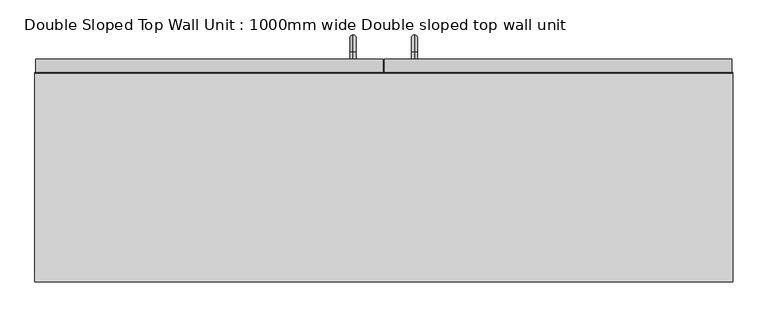
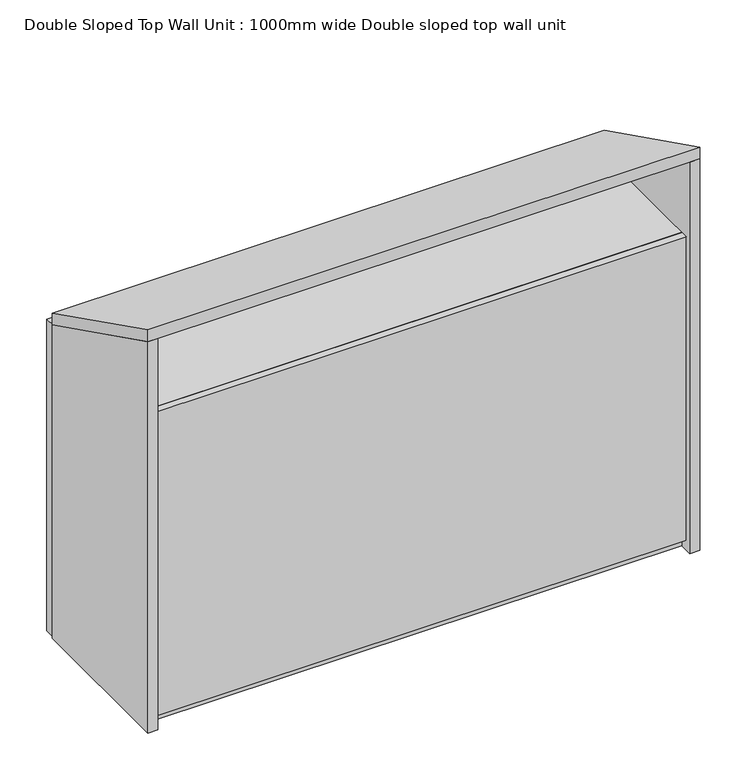
"""IFC4 building model written with IfcOpenShell, lengths in millimetres: furniture geometry, Double Sloped Top Wall Unit : 1000mm wide Double sloped top wall unit."""

from ifc_helpers import new_model, si_unit, point, frame, origin, place, context, project, spatial, polyline, circle_curve, ellipse_curve, trimmed, outline, extrude, source, transform, mapped, element, save
from ifc_brep_helpers import plane_surface, cylinder_surface, revolved_surface, advanced_brep


def double_sloped_top_wall_unit_1000mm_wide_double_sloped_top_3fca0109(model_context):
    return source(origin(), model_context, "Body", "SolidModel", [
        advanced_brep(
        [(41.0154021, 320.4, 1673.1697012), (41.0154021, 320.4, 1664.1697012), (41.0154021, 330.4, 1664.1697012), (41.0154021, 330.4, 1673.1697012), (41.0154021, 345.9, 1648.6697012), (41.0154021, 354.9, 1648.6697012), (41.0154021, 345.9, 1568.6697012), (41.0154021, 354.9, 1568.6697012), (41.0154021, 330.4, 1553.1697012), (41.0154021, 330.4, 1544.1697012), (41.0154021, 320.4, 1544.1697012), (41.0154021, 320.4, 1553.1697012)],
        [
            (0, 1, circle_curve(frame((41.0154021, 320.4, 1668.6697012), z_axis=(0.0, -1.0, 0.0), x_axis=(0.0, 0.0, -1.0)), 4.5)),
            (1, 0, circle_curve(frame((41.0154021, 320.4, 1668.6697012), z_axis=(0.0, -1.0, 0.0), x_axis=(0.0, 0.0, -1.0)), 4.5)),
            (1, 2),
            (2, 3, circle_curve(frame((41.0154021, 330.4, 1668.6697012), z_axis=(0.0, -1.0, 0.0), x_axis=(0.0, 0.0, -1.0)), 4.5)),
            (3, 0),
            (3, 2, circle_curve(frame((41.0154021, 330.4, 1668.6697012), z_axis=(0.0, -1.0, 0.0), x_axis=(0.0, 0.0, -1.0)), 4.5)),
            (4, 5, circle_curve(frame((41.0154021, 350.4, 1648.6697012), z_axis=(0.0, 0.0, 1.0), x_axis=(0.0, -1.0, 0.0)), 4.5)),
            (5, 3, circle_curve(frame((41.0154021, 330.4, 1648.6697012), z_axis=(1.0, 0.0, 0.0), x_axis=(0.0, 0.0, 1.0)), 24.5)),
            (2, 4, circle_curve(frame((41.0154021, 330.4, 1648.6697012), z_axis=(-1.0, 0.0, 0.0), x_axis=(0.0, 0.0, 1.0)), 15.5)),
            (5, 4, circle_curve(frame((41.0154021, 350.4, 1648.6697012), z_axis=(0.0, 0.0, 1.0), x_axis=(0.0, -1.0, 0.0)), 4.5)),
            (4, 6),
            (6, 7, circle_curve(frame((41.0154021, 350.4, 1568.6697012), z_axis=(0.0, 0.0, 1.0), x_axis=(0.0, -1.0, 0.0)), 4.5)),
            (7, 5),
            (7, 6, circle_curve(frame((41.0154021, 350.4, 1568.6697012), z_axis=(0.0, 0.0, 1.0), x_axis=(0.0, -1.0, 0.0)), 4.5)),
            (8, 9, circle_curve(frame((41.0154021, 330.4, 1548.6697012), z_axis=(0.0, 1.0, 0.0), x_axis=(0.0, 0.0, 1.0)), 4.5)),
            (9, 7, circle_curve(frame((41.0154021, 330.4, 1568.6697012), z_axis=(1.0, 0.0, 0.0), x_axis=(0.0, 1.0, 0.0)), 24.5)),
            (6, 8, circle_curve(frame((41.0154021, 330.4, 1568.6697012), z_axis=(-1.0, 0.0, 0.0), x_axis=(0.0, 1.0, 0.0)), 15.5)),
            (9, 8, circle_curve(frame((41.0154021, 330.4, 1548.6697012), z_axis=(0.0, 1.0, 0.0), x_axis=(0.0, 0.0, 1.0)), 4.5)),
            (10, 11, circle_curve(frame((41.0154021, 320.4, 1548.6697012), z_axis=(0.0, -1.0, 0.0), x_axis=(0.0, 0.0, 1.0)), 4.5)),
            (11, 10, circle_curve(frame((41.0154021, 320.4, 1548.6697012), z_axis=(0.0, -1.0, 0.0), x_axis=(0.0, 0.0, 1.0)), 4.5)),
            (8, 11),
            (10, 9),
        ],
        [
            plane_surface(frame((41.0154021, 320.4, 1668.6697012), z_axis=(0.0, -1.0, 0.0), x_axis=(1.0, 0.0, 0.0))),
            cylinder_surface(frame((41.0154021, 320.4, 1668.6697012), z_axis=(0.0, -1.0, 0.0), x_axis=(0.0, 0.0, -1.0)), 4.5),
            revolved_surface(trimmed(ellipse_curve(frame((41.0154021, 330.4, 1668.6697012), z_axis=(0.0, 1.0, 0.0), x_axis=(0.0, 0.0, -1.0)), 4.5, 4.5), [point((41.0154021, 330.4, 1673.1697012))], [point((41.0154021, 330.4, 1664.1697012))], True, "CARTESIAN"), (41.0154021, 330.4, 1648.6697012), (1.0, 0.0, 0.0)),
            revolved_surface(trimmed(ellipse_curve(frame((41.0154021, 330.4, 1668.6697012), z_axis=(0.0, 1.0, 0.0), x_axis=(0.0, 0.0, -1.0)), 4.5, 4.5), [point((41.0154021, 330.4, 1664.1697012))], [point((41.0154021, 330.4, 1673.1697012))], True, "CARTESIAN"), (41.0154021, 330.4, 1648.6697012), (1.0, 0.0, 0.0)),
            cylinder_surface(frame((41.0154021, 350.4, 1648.6697012), z_axis=(0.0, 0.0, 1.0), x_axis=(0.0, -1.0, 0.0)), 4.5),
            revolved_surface(trimmed(ellipse_curve(frame((41.0154021, 350.4, 1568.6697012), z_axis=(0.0, 0.0, -1.0), x_axis=(0.0, -1.0, 0.0)), 4.5, 4.5), [point((41.0154021, 354.9, 1568.6697012))], [point((41.0154021, 345.9, 1568.6697012))], True, "CARTESIAN"), (41.0154021, 330.4, 1568.6697012), (1.0, 0.0, 0.0)),
            revolved_surface(trimmed(ellipse_curve(frame((41.0154021, 350.4, 1568.6697012), z_axis=(0.0, 0.0, -1.0), x_axis=(0.0, -1.0, 0.0)), 4.5, 4.5), [point((41.0154021, 345.9, 1568.6697012))], [point((41.0154021, 354.9, 1568.6697012))], True, "CARTESIAN"), (41.0154021, 330.4, 1568.6697012), (1.0, 0.0, 0.0)),
            plane_surface(frame((41.0154021, 320.4, 1548.6697012), z_axis=(0.0, -1.0, 0.0), x_axis=(1.0, 0.0, 0.0))),
            cylinder_surface(frame((41.0154021, 330.4, 1548.6697012), z_axis=(0.0, 1.0, 0.0), x_axis=(0.0, 0.0, 1.0)), 4.5),
        ],
        [
            (0, [[1, 2]]),
            (1, [[3, 4, 5, -2]]),
            (1, [[-5, 6, -3, -1]]),
            (2, [[7, 8, -4, 9]]),
            (3, [[10, -9, -6, -8]]),
            (4, [[11, 12, 13, -7]]),
            (4, [[-13, 14, -11, -10]]),
            (5, [[15, 16, -12, 17]]),
            (6, [[18, -17, -14, -16]]),
            (7, [[19, 20]]),
            (8, [[21, -19, 22, -15]]),
            (8, [[-22, -20, -21, -18]]),
        ],
    ),
        advanced_brep(
        [(128.9845979, 320.4, 1673.1697012), (128.9845979, 320.4, 1664.1697012), (128.9845979, 330.4, 1673.1697012), (128.9845979, 330.4, 1664.1697012), (128.9845979, 345.9, 1648.6697012), (128.9845979, 354.9, 1648.6697012), (128.9845979, 354.9, 1568.6697012), (128.9845979, 345.9, 1568.6697012), (128.9845979, 330.4, 1553.1697012), (128.9845979, 330.4, 1544.1697012), (128.9845979, 320.4, 1544.1697012), (128.9845979, 320.4, 1553.1697012)],
        [
            (0, 1, circle_curve(frame((128.9845979, 320.4, 1668.6697012), z_axis=(0.0, -1.0, 0.0), x_axis=(0.0, 0.0, -1.0)), 4.5)),
            (1, 0, circle_curve(frame((128.9845979, 320.4, 1668.6697012), z_axis=(0.0, -1.0, 0.0), x_axis=(0.0, 0.0, -1.0)), 4.5)),
            (0, 2),
            (2, 3, circle_curve(frame((128.9845979, 330.4, 1668.6697012), z_axis=(0.0, -1.0, 0.0), x_axis=(0.0, 0.0, -1.0)), 4.5)),
            (3, 1),
            (3, 2, circle_curve(frame((128.9845979, 330.4, 1668.6697012), z_axis=(0.0, -1.0, 0.0), x_axis=(0.0, 0.0, -1.0)), 4.5)),
            (4, 3, circle_curve(frame((128.9845979, 330.4, 1648.6697012), z_axis=(1.0, 0.0, 0.0), x_axis=(0.0, 0.0, 1.0)), 15.5)),
            (2, 5, circle_curve(frame((128.9845979, 330.4, 1648.6697012), z_axis=(-1.0, 0.0, 0.0), x_axis=(0.0, 0.0, 1.0)), 24.5)),
            (5, 4, circle_curve(frame((128.9845979, 350.4, 1648.6697012), z_axis=(0.0, 0.0, 1.0), x_axis=(0.0, -1.0, 0.0)), 4.5)),
            (4, 5, circle_curve(frame((128.9845979, 350.4, 1648.6697012), z_axis=(0.0, 0.0, 1.0), x_axis=(0.0, -1.0, 0.0)), 4.5)),
            (5, 6),
            (6, 7, circle_curve(frame((128.9845979, 350.4, 1568.6697012), z_axis=(0.0, 0.0, 1.0), x_axis=(0.0, -1.0, 0.0)), 4.5)),
            (7, 4),
            (7, 6, circle_curve(frame((128.9845979, 350.4, 1568.6697012), z_axis=(0.0, 0.0, 1.0), x_axis=(0.0, -1.0, 0.0)), 4.5)),
            (8, 7, circle_curve(frame((128.9845979, 330.4, 1568.6697012), z_axis=(1.0, 0.0, 0.0), x_axis=(0.0, 1.0, 0.0)), 15.5)),
            (6, 9, circle_curve(frame((128.9845979, 330.4, 1568.6697012), z_axis=(-1.0, 0.0, 0.0), x_axis=(0.0, 1.0, 0.0)), 24.5)),
            (9, 8, circle_curve(frame((128.9845979, 330.4, 1548.6697012), z_axis=(0.0, 1.0, 0.0), x_axis=(0.0, 0.0, 1.0)), 4.5)),
            (8, 9, circle_curve(frame((128.9845979, 330.4, 1548.6697012), z_axis=(0.0, 1.0, 0.0), x_axis=(0.0, 0.0, 1.0)), 4.5)),
            (10, 11, circle_curve(frame((128.9845979, 320.4, 1548.6697012), z_axis=(0.0, -1.0, 0.0), x_axis=(0.0, 0.0, 1.0)), 4.5)),
            (11, 10, circle_curve(frame((128.9845979, 320.4, 1548.6697012), z_axis=(0.0, -1.0, 0.0), x_axis=(0.0, 0.0, 1.0)), 4.5)),
            (9, 10),
            (11, 8),
        ],
        [
            plane_surface(frame((128.9845979, 320.4, 1668.6697012), z_axis=(0.0, -1.0, 0.0), x_axis=(-1.0, 0.0, 0.0))),
            cylinder_surface(frame((128.9845979, 320.4, 1668.6697012), z_axis=(0.0, -1.0, 0.0), x_axis=(0.0, 0.0, -1.0)), 4.5),
            revolved_surface(trimmed(ellipse_curve(frame((128.9845979, 330.4, 1668.6697012), z_axis=(0.0, -1.0, 0.0), x_axis=(0.0, 0.0, -1.0)), 4.5, 4.5), [point((128.9845979, 330.4, 1673.1697012))], [point((128.9845979, 330.4, 1664.1697012))], True, "CARTESIAN"), (128.9845979, 330.4, 1648.6697012), (-1.0, 0.0, 0.0)),
            revolved_surface(trimmed(ellipse_curve(frame((128.9845979, 330.4, 1668.6697012), z_axis=(0.0, -1.0, 0.0), x_axis=(0.0, 0.0, -1.0)), 4.5, 4.5), [point((128.9845979, 330.4, 1664.1697012))], [point((128.9845979, 330.4, 1673.1697012))], True, "CARTESIAN"), (128.9845979, 330.4, 1648.6697012), (-1.0, 0.0, 0.0)),
            cylinder_surface(frame((128.9845979, 350.4, 1648.6697012), z_axis=(0.0, 0.0, 1.0), x_axis=(0.0, -1.0, 0.0)), 4.5),
            revolved_surface(trimmed(ellipse_curve(frame((128.9845979, 350.4, 1568.6697012), z_axis=(0.0, 0.0, 1.0), x_axis=(0.0, -1.0, 0.0)), 4.5, 4.5), [point((128.9845979, 354.9, 1568.6697012))], [point((128.9845979, 345.9, 1568.6697012))], True, "CARTESIAN"), (128.9845979, 330.4, 1568.6697012), (-1.0, 0.0, 0.0)),
            revolved_surface(trimmed(ellipse_curve(frame((128.9845979, 350.4, 1568.6697012), z_axis=(0.0, 0.0, 1.0), x_axis=(0.0, -1.0, 0.0)), 4.5, 4.5), [point((128.9845979, 345.9, 1568.6697012))], [point((128.9845979, 354.9, 1568.6697012))], True, "CARTESIAN"), (128.9845979, 330.4, 1568.6697012), (-1.0, 0.0, 0.0)),
            plane_surface(frame((128.9845979, 320.4, 1548.6697012), z_axis=(0.0, -1.0, 0.0), x_axis=(-1.0, 0.0, 0.0))),
            cylinder_surface(frame((128.9845979, 330.4, 1548.6697012), z_axis=(0.0, 1.0, 0.0), x_axis=(0.0, 0.0, 1.0)), 4.5),
        ],
        [
            (0, [[1, 2]]),
            (1, [[-1, 3, 4, 5]]),
            (1, [[-2, -5, 6, -3]]),
            (2, [[7, -4, 8, 9]]),
            (3, [[-8, -6, -7, 10]]),
            (4, [[-9, 11, 12, 13]]),
            (4, [[-10, -13, 14, -11]]),
            (5, [[15, -12, 16, 17]]),
            (6, [[-16, -14, -15, 18]]),
            (7, [[19, 20]]),
            (8, [[-17, 21, -20, 22]]),
            (8, [[-18, -22, -19, -21]]),
        ],
    ),
        extrude(outline(polyline([(583.47, 320.4), (583.47, 300.4), (86.0, 300.4), (86.0, 320.4), (583.47, 320.4)])), frame((0.0, 0.0, 1501.5), z_axis=(0.0, 0.0, 1.0), x_axis=(1.0, 0.0, 0.0)), (0.0, 0.0, 1.0), 597.0),
        extrude(outline(polyline([(-413.5, 320.4), (84.0, 320.4), (84.0, 300.4), (-413.5, 300.4), (-413.5, 320.4)])), frame((0.0, 0.0, 1501.5), z_axis=(0.0, 0.0, 1.0), x_axis=(1.0, 0.0, 0.0)), (0.0, 0.0, 1.0), 597.0),
        extrude(outline(polyline([(567.0, 25.4), (-397.0, 25.4), (-397.0, 300.4), (567.0, 300.4), (567.0, 25.4)])), frame((0.0, 0.0, 1500.0), z_axis=(0.0, 0.0, 1.0), x_axis=(1.0, 0.0, 0.0)), (0.0, 0.0, 1.0), 18.0),
        extrude(outline(polyline([(567.0, 25.4), (-397.0, 25.4), (-397.0, 300.4), (567.0, 300.4), (567.0, 25.4)])), frame((0.0, 0.0, 2082.0), z_axis=(0.0, 0.0, 1.0), x_axis=(1.0, 0.0, 0.0)), (0.0, 0.0, 1.0), 18.0),
        extrude(outline(polyline([(567.0, 25.4), (567.0, 12.4), (-397.0, 12.4), (-397.0, 25.4), (567.0, 25.4)])), frame((0.0, 0.0, 1518.0), z_axis=(0.0, 0.0, 1.0), x_axis=(1.0, 0.0, 0.0)), (0.0, 0.0, 1.0), 582.0),
        extrude(outline(polyline([(0.4, 2250.0), (300.4, 2100.0), (300.4, 1500.0), (0.4, 1500.0), (0.4, 2250.0)])), frame((567.0, 0.0, 0.0), z_axis=(1.0, 0.0, 0.0), x_axis=(0.0, 1.0, 0.0)), (0.0, 0.0, 1.0), 18.0),
        extrude(outline(polyline([(0.4, 2272.3606798), (300.2857517, 2122.4178039), (300.4, 2100.0), (0.4, 2250.0), (0.4, 2272.3606798)])), frame((-415.0, 0.0, 0.0), z_axis=(1.0, 0.0, 0.0), x_axis=(0.0, 1.0, 0.0)), (0.0, 0.0, 1.0), 1000.0),
        extrude(outline(polyline([(0.4, 2250.0), (300.4, 2100.0), (300.4, 1500.0), (0.4, 1500.0), (0.4, 2250.0)])), frame((-415.0, 0.0, 0.0), z_axis=(1.0, 0.0, 0.0), x_axis=(0.0, 1.0, 0.0)), (0.0, 0.0, 1.0), 18.0),
    ])


if __name__ == "__main__":
    model = new_model("IFC4")
    model_context = context("Model", 3, world=origin())
    ifc_project = project(units=[si_unit("LENGTHUNIT", "METRE", prefix="MILLI")], contexts=[model_context])
    site = spatial("IfcSite", under=ifc_project)
    building = spatial("IfcBuilding", under=site)
    placement = place(None, origin())
    double_sloped_top_wall_unit_1000mm_wide_double_sloped_top_shape = double_sloped_top_wall_unit_1000mm_wide_double_sloped_top_3fca0109(model_context)
    element("IfcFurniture", 1, ObjectType="Double Sloped Top Wall Unit : 1000mm wide Double sloped top wall unit", at=placement, inside=building, context=model_context, shape_type="MappedRepresentation", body=[
        mapped(double_sloped_top_wall_unit_1000mm_wide_double_sloped_top_shape, transform((0.0, 0.0, 0.0), x_axis=(1.0, 0.0, 0.0), y_axis=(0.0, 1.0, 0.0), z_axis=(0.0, 0.0, 1.0))),
    ])
    save(model, "model.ifc")
